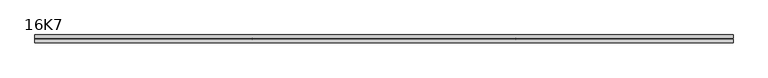
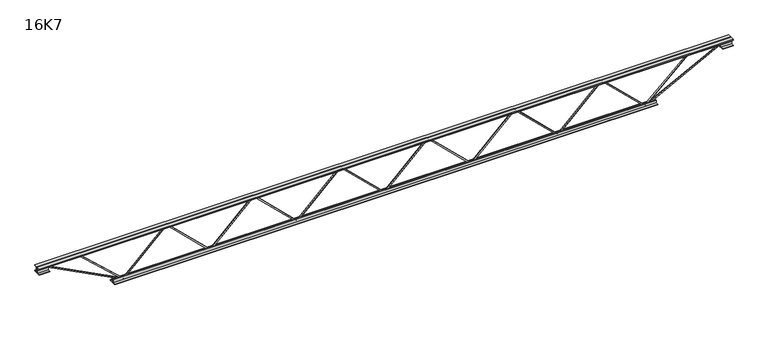
"""IFC4 building model written with IfcOpenShell, lengths in millimetres: beam geometry, 16K7."""

from ifc_helpers import new_model, si_unit, frame, origin, place, context, project, spatial, polyline, outline, extrude, source, transform, mapped, element, save


def beam_16k7_78f15368(model_context):
    return source(origin(), model_context, "Body", "SweptSolid", [
        extrude(outline(polyline([(-191.9, 824.0), (-201.4, 824.0), (-201.4, 829.0996432), (191.9, 1234.7496432), (191.9, 1237.2503568), (-201.4, 1642.9003568), (-201.4, 1648.0), (-191.9, 1648.0), (-191.9, 1646.7496432), (201.4, 1241.0996432), (201.4, 1230.9003568), (-191.9, 825.2503568), (-191.9, 824.0)])), frame((0.0, -4.75, 0.0), z_axis=(0.0, 1.0, 0.0), x_axis=(0.0, 0.0, 1.0)), (0.0, 0.0, 1.0), 9.5),
        extrude(outline(polyline([(-191.9, 0.0), (-201.4, 0.0), (-201.4, 5.0996432), (191.9, 410.7496432), (191.9, 413.2503568), (-201.4, 818.9003568), (-201.4, 824.0), (-191.9, 824.0), (-191.9, 822.7496432), (201.4, 417.0996432), (201.4, 406.9003568), (-191.9, 1.2503568), (-191.9, 0.0)])), frame((0.0, -4.75, 0.0), z_axis=(0.0, 1.0, 0.0), x_axis=(0.0, 0.0, 1.0)), (0.0, 0.0, 1.0), 9.5),
        extrude(outline(polyline([(-191.9, -824.0), (-201.4, -824.0), (-201.4, -818.9003568), (191.9, -413.2503568), (191.9, -410.7496432), (-201.4, -5.0996432), (-201.4, 0.0), (-191.9, 0.0), (-191.9, -1.2503568), (201.4, -406.9003568), (201.4, -417.0996432), (-191.9, -822.7496432), (-191.9, -824.0)])), frame((0.0, -4.75, 0.0), z_axis=(0.0, 1.0, 0.0), x_axis=(0.0, 0.0, 1.0)), (0.0, 0.0, 1.0), 9.5),
        extrude(outline(polyline([(-191.9, -1648.0), (-201.4, -1648.0), (-201.4, -1642.9003568), (191.9, -1237.2503568), (191.9, -1234.7496432), (-201.4, -829.0996432), (-201.4, -824.0), (-191.9, -824.0), (-191.9, -825.2503568), (201.4, -1230.9003568), (201.4, -1241.0996432), (-191.9, -1646.7496432), (-191.9, -1648.0)])), frame((0.0, -4.75, 0.0), z_axis=(0.0, 1.0, 0.0), x_axis=(0.0, 0.0, 1.0)), (0.0, 0.0, 1.0), 9.5),
        extrude(outline(polyline([(-191.9, 1648.0), (-201.4, 1648.0), (-201.4, 1653.0996432), (191.9, 2058.7496432), (191.9, 2061.2503568), (-201.4, 2466.9003568), (-201.4, 2472.0), (-191.9, 2472.0), (-191.9, 2470.7496432), (201.4, 2065.0996432), (201.4, 2054.9003568), (-191.9, 1649.2503568), (-191.9, 1648.0)])), frame((0.0, -4.75, 0.0), z_axis=(0.0, 1.0, 0.0), x_axis=(0.0, 0.0, 1.0)), (0.0, 0.0, 1.0), 9.5),
        extrude(outline(polyline([(-191.9, -2472.0), (-201.4, -2472.0), (-201.4, -2466.9003568), (191.9, -2061.2503568), (191.9, -2058.7496432), (-201.4, -1653.0996432), (-201.4, -1648.0), (-191.9, -1648.0), (-191.9, -1649.2503568), (201.4, -2054.9003568), (201.4, -2065.0996432), (-191.9, -2470.7496432), (-191.9, -2472.0)])), frame((0.0, -4.75, 0.0), z_axis=(0.0, 1.0, 0.0), x_axis=(0.0, 0.0, 1.0)), (0.0, 0.0, 1.0), 9.5),
        extrude(outline(polyline([(4.75, 203.0), (36.75, 203.0), (36.75, 196.5), (11.25, 196.5), (11.25, 171.0), (4.75, 171.0), (4.75, 203.0)])), frame((-3284.0, 0.0, 0.0), z_axis=(1.0, 0.0, 0.0), x_axis=(0.0, 1.0, 0.0)), (0.0, 0.0, 1.0), 6568.0),
        extrude(outline(polyline([(-4.75, 203.0), (-4.75, 171.0), (-11.25, 171.0), (-11.25, 196.5), (-36.75, 196.5), (-36.75, 203.0), (-4.75, 203.0)])), frame((-3284.0, 0.0, 0.0), z_axis=(1.0, 0.0, 0.0), x_axis=(0.0, 1.0, 0.0)), (0.0, 0.0, 1.0), 6568.0),
        extrude(outline(polyline([(-4.75, 139.5), (-36.75, 139.5), (-36.75, 146.0), (-11.25, 146.0), (-11.25, 171.0), (-4.75, 171.0), (-4.75, 139.5)])), frame((-3284.0, 0.0, 0.0), z_axis=(1.0, 0.0, 0.0), x_axis=(0.0, 1.0, 0.0)), (0.0, 0.0, 1.0), 100.0),
        extrude(outline(polyline([(36.75, 139.5), (4.75, 139.5), (4.75, 171.0), (11.25, 171.0), (11.25, 146.0), (36.75, 146.0), (36.75, 139.5)])), frame((-3284.0, 0.0, 0.0), z_axis=(1.0, 0.0, 0.0), x_axis=(0.0, 1.0, 0.0)), (0.0, 0.0, 1.0), 100.0),
        extrude(outline(polyline([(4.75, 139.5), (4.75, 171.0), (11.25, 171.0), (11.25, 146.0), (36.75, 146.0), (36.75, 139.5), (4.75, 139.5)])), frame((3184.0, 0.0, 0.0), z_axis=(1.0, 0.0, 0.0), x_axis=(0.0, 1.0, 0.0)), (0.0, 0.0, 1.0), 100.0),
        extrude(outline(polyline([(-4.75, 139.5), (-36.75, 139.5), (-36.75, 146.0), (-11.25, 146.0), (-11.25, 171.0), (-4.75, 171.0), (-4.75, 139.5)])), frame((3184.0, 0.0, 0.0), z_axis=(1.0, 0.0, 0.0), x_axis=(0.0, 1.0, 0.0)), (0.0, 0.0, 1.0), 100.0),
        extrude(outline(polyline([(4.75, -203.0), (4.75, -171.0), (11.25, -171.0), (11.25, -196.5), (36.75, -196.5), (36.75, -203.0), (4.75, -203.0)])), frame((-2572.0, 0.0, 0.0), z_axis=(1.0, 0.0, 0.0), x_axis=(0.0, 1.0, 0.0)), (0.0, 0.0, 1.0), 5144.0),
        extrude(outline(polyline([(-4.75, -203.0), (-36.75, -203.0), (-36.75, -196.5), (-11.25, -196.5), (-11.25, -171.0), (-4.75, -171.0), (-4.75, -203.0)])), frame((-2572.0, 0.0, 0.0), z_axis=(1.0, 0.0, 0.0), x_axis=(0.0, 1.0, 0.0)), (0.0, 0.0, 1.0), 5144.0),
        extrude(outline(polyline([(-200.8705467, -2474.1793315), (-192.4294533, -2469.8206685), (175.75, -3182.8460208), (175.75, -3284.0), (166.25, -3284.0), (166.25, -3185.1539792), (-200.8705467, -2474.1793315)])), frame((0.0, -4.75, 0.0), z_axis=(0.0, 1.0, 0.0), x_axis=(0.0, 0.0, 1.0)), (0.0, 0.0, 1.0), 9.5),
        extrude(outline(polyline([(188.7, -2903.9571429), (179.2, -2903.9571429), (179.2, -2893.0915892), (-200.1669811, -2475.1927017), (-193.1330189, -2468.8072983), (188.7, -2889.4226965), (188.7, -2903.9571429)])), frame((0.0, -4.75, 0.0), z_axis=(0.0, 1.0, 0.0), x_axis=(0.0, 0.0, 1.0)), (0.0, 0.0, 1.0), 9.5),
        extrude(outline(polyline([(0.0, -9.5), (0.0, 0.0), (801.3179909, 0.0), (801.3179909, -9.5), (0.0, -9.5)])), frame((3186.1793315, -4.75, 166.7794533), z_axis=(-0.4588066213244967, 0.0, 0.8885361468329805), x_axis=(-0.8885361468329805, 0.0, -0.4588066213244967)), (0.0, 0.0, 1.0), 9.5),
        extrude(outline(polyline([(0.0, -9.5), (0.0, 0.0), (580.1718073, 0.0), (580.1718073, -9.5), (0.0, -9.5)])), frame((2901.7343233, -4.75, 193.1580295), z_axis=(-0.6779026403745745, 0.0, 0.7351516919474378), x_axis=(-0.7351516919474378, 0.0, -0.6779026403745745)), (0.0, 0.0, 1.0), 9.5),
    ])


if __name__ == "__main__":
    model = new_model("IFC4")
    model_context = context("Model", 3, world=origin())
    ifc_project = project(units=[si_unit("LENGTHUNIT", "METRE", prefix="MILLI")], contexts=[model_context])
    site = spatial("IfcSite", under=ifc_project)
    building = spatial("IfcBuilding", under=site)
    placement = place(None, origin())
    beam_16k7_shape = beam_16k7_78f15368(model_context)
    element("IfcBeam", 1, ObjectType="16K7", at=placement, inside=building, context=model_context, shape_type="MappedRepresentation", body=[
        mapped(beam_16k7_shape, transform((0.0, 0.0, 0.0), x_axis=(1.0, 0.0, 0.0), y_axis=(0.0, 1.0, 0.0), z_axis=(0.0, 0.0, 1.0))),
    ])
    save(model, "model.ifc")
